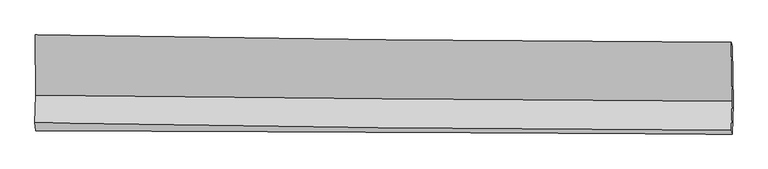
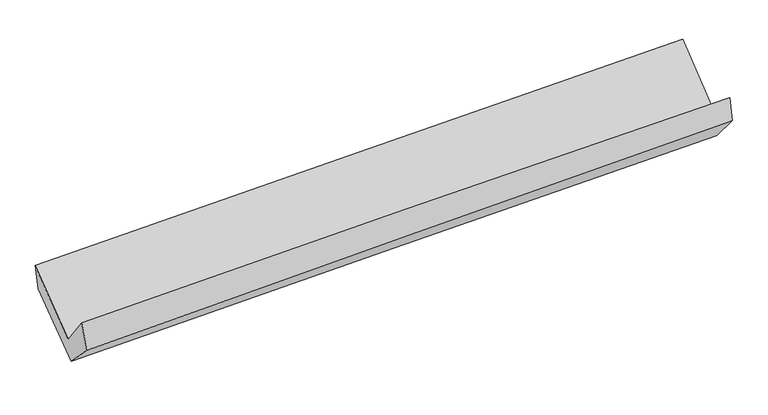
"""IFC4 building model written with IfcOpenShell, lengths in millimetres: proxy geometry."""

import ifcopenshell
import ifcopenshell.guid

model = None  # the IFC model being written
_history = None  # IfcOwnerHistory: only IFC2X3 demands one
_inside = {}  # id of a spatial element -> (the spatial element, [elements in it])
_under = {}  # id of a project, library or spatial element -> (it, [spatial elements below it])
_declared = {}  # id of a project -> (the project, [libraries it declares])
_typed = {}  # id of a type object -> (the type object, [elements of that type])
_made_of = {}  # id of a material, layer set ... -> (it, [elements and type objects made of it])


def new_model(schema):
    """Start an empty IFC model of exactly this schema.

    Asked for "IFC4X3", IfcOpenShell would pick the latest addendum, in which some entities
    have other attributes; the version numbers below select the first issue.
    IFC2X3 requires an IfcOwnerHistory on every rooted entity: one is made here for all.
    """
    global model, _history
    if schema == "IFC4X3":
        model = ifcopenshell.file(schema_version=(4, 3, 0, 0))
    else:
        model = ifcopenshell.file(schema=schema)
    _inside.clear()
    _under.clear()
    _declared.clear()
    _typed.clear()
    _made_of.clear()
    _history = None
    if model.schema == "IFC2X3":
        org = make("IfcOrganization", Name="unknown")
        user = make(
            "IfcPersonAndOrganization",
            ThePerson=make("IfcPerson", FamilyName="unknown"),
            TheOrganization=org,
        )
        app = make(
            "IfcApplication",
            ApplicationDeveloper=org,
            Version="unknown",
            ApplicationFullName="unknown",
            ApplicationIdentifier="unknown",
        )
        _history = make(
            "IfcOwnerHistory",
            OwningUser=user,
            OwningApplication=app,
            ChangeAction="ADDED",
            CreationDate=0,
        )
    return model


def make(cls, **values):
    """One entity of the class cls with the attributes given. An attribute that is None is left unset."""
    return model.create_entity(
        cls, **{name: value for name, value in values.items() if value is not None}
    )


def rooted(cls, **values):
    """An entity with a GlobalId (a new one), such as an element, a storey or a relation."""
    return make(cls, GlobalId=ifcopenshell.guid.new(), OwnerHistory=_history, **values)


def si_unit(unit_type, name, prefix=None):
    """IfcSIUnit, for example si_unit("LENGTHUNIT", "METRE", prefix="MILLI")."""
    return make("IfcSIUnit", UnitType=unit_type, Prefix=prefix, Name=name)


def assignment(units):
    """IfcUnitAssignment: the units of a project."""
    return None if units is None else make("IfcUnitAssignment", Units=units)


def point(xyz):
    """IfcCartesianPoint."""
    return None if xyz is None else make("IfcCartesianPoint", Coordinates=xyz)


def direction(xyz):
    """IfcDirection."""
    return None if xyz is None else make("IfcDirection", DirectionRatios=xyz)


def frame(location, z_axis=None, x_axis=None):
    """IfcAxis2Placement3D, a coordinate frame: its origin and axes. An axis left out is left unset."""
    return make(
        "IfcAxis2Placement3D",
        Location=point(location),
        Axis=direction(z_axis),
        RefDirection=direction(x_axis),
    )


def origin():
    """The frame at (0, 0, 0) with its axes left unset."""
    return frame((0.0, 0.0, 0.0))


def place(relative_to, where):
    """IfcLocalPlacement: puts the frame where relative to a parent placement (None: the world)."""
    return make(
        "IfcLocalPlacement", PlacementRelTo=relative_to, RelativePlacement=where
    )


def context(
    kind, dimensions, precision=None, world=None, true_north=None, identifier=None
):
    """IfcGeometricRepresentationContext, for example the 3D "Model" context."""
    return make(
        "IfcGeometricRepresentationContext",
        ContextIdentifier=identifier,
        ContextType=kind,
        CoordinateSpaceDimension=dimensions,
        Precision=precision,
        WorldCoordinateSystem=world,
        TrueNorth=true_north,
    )


def project(units=None, contexts=None):
    """IfcProject with its units and contexts."""
    return rooted(
        "IfcProject",
        Name="project",
        RepresentationContexts=contexts,
        UnitsInContext=assignment(units),
    )


def spatial(cls, under=None, at=None, **own):
    """A site, building, storey or space (cls), placed at a placement, below another one or the project."""
    s = rooted(cls, ObjectPlacement=at, **own)
    if under is not None:
        _under.setdefault(under.id(), (under, []))[1].append(s)
    return s


def shape(context_of_items, identifier, shape_type, items):
    """IfcShapeRepresentation: the items that make up one representation, for example the "Body"."""
    return make(
        "IfcShapeRepresentation",
        ContextOfItems=context_of_items,
        RepresentationIdentifier=identifier,
        RepresentationType=shape_type,
        Items=items,
    )


def source(mapping_origin, context_of_items, identifier, shape_type, items):
    """IfcRepresentationMap: a shape defined once, which mapped items show again and again."""
    return make(
        "IfcRepresentationMap",
        MappingOrigin=mapping_origin,
        MappedRepresentation=shape(context_of_items, identifier, shape_type, items),
    )


def transform(
    local_origin,
    x_axis=None,
    y_axis=None,
    z_axis=None,
    scale=None,
    scale2=None,
    scale3=None,
    uniform=True,
):
    """IfcCartesianTransformationOperator3D, or its non-uniform kind. x_axis, y_axis, z_axis: its Axis1, 2, 3."""
    if uniform:
        return make(
            "IfcCartesianTransformationOperator3D",
            Axis1=direction(x_axis),
            Axis2=direction(y_axis),
            LocalOrigin=point(local_origin),
            Scale=scale,
            Axis3=direction(z_axis),
        )
    return make(
        "IfcCartesianTransformationOperator3DnonUniform",
        Axis1=direction(x_axis),
        Axis2=direction(y_axis),
        LocalOrigin=point(local_origin),
        Scale=scale,
        Axis3=direction(z_axis),
        Scale2=scale2,
        Scale3=scale3,
    )


def mapped(mapping_source, mapping_target):
    """IfcMappedItem: shows the shape of a source again, moved by a transform."""
    return make(
        "IfcMappedItem", MappingSource=mapping_source, MappingTarget=mapping_target
    )


def made_of(thing, what):
    """Note that an element or type object is made of a material, layer set ...; save() writes the relation."""
    if what is not None:
        _made_of.setdefault(what.id(), (what, []))[1].append(thing)
    return thing


def element(
    cls,
    number,
    at=None,
    inside=None,
    cuts=None,
    type_object=None,
    material=None,
    context=None,
    identifier="Body",
    shape_type=None,
    held_by="IfcProductDefinitionShape",
    body=None,
    shapes=None,
    **own,
):
    """One element of the class cls, such as IfcWall. Its Tag is "e" and its number.

    at: its placement. inside: the storey or other place that contains it. cuts: it is an
    opening in that element (IfcRelVoidsElement). A single representation is given by context,
    identifier, shape_type and body (its items); several are given by shapes. held_by: the class
    of the entity that holds the representations. save() writes the other relations.
    """
    e = rooted(cls, Tag="e%d" % number, ObjectPlacement=at, **own)
    if body is not None:
        shapes = [shape(context, identifier, shape_type, body)]
    if shapes is not None:
        e.Representation = make(held_by, Representations=shapes)
    if inside is not None:
        _inside.setdefault(inside.id(), (inside, []))[1].append(e)
    if cuts is not None:
        rooted(
            "IfcRelVoidsElement", RelatingBuildingElement=cuts, RelatedOpeningElement=e
        )
    if type_object is not None:
        _typed.setdefault(type_object.id(), (type_object, []))[1].append(e)
    return made_of(e, material)


def aggregate(whole, parts):
    """IfcRelAggregates: a whole, such as a stair, and the parts it consists of."""
    return rooted("IfcRelAggregates", RelatingObject=whole, RelatedObjects=parts)


def save(model, path):
    """Write the relations noted so far, then the file.

    IfcRelAggregates (storeys below a building ...), IfcRelContainedInSpatialStructure (elements
    in a storey), IfcRelDefinesByType, IfcRelAssociatesMaterial and IfcRelDeclares: one each for
    every whole, place, type object, material and project.
    """
    for whole, parts in _under.values():
        aggregate(whole, parts)
    for where, things in _inside.values():
        rooted(
            "IfcRelContainedInSpatialStructure",
            RelatedElements=things,
            RelatingStructure=where,
        )
    for kind, things in _typed.values():
        rooted("IfcRelDefinesByType", RelatedObjects=things, RelatingType=kind)
    for what, things in _made_of.values():
        rooted("IfcRelAssociatesMaterial", RelatedObjects=things, RelatingMaterial=what)
    for by, libraries in _declared.values():
        rooted("IfcRelDeclares", RelatingContext=by, RelatedDefinitions=libraries)
    model.write(path)


def plane_surface(at):
    """IfcPlane: the flat surface through the origin of the frame at, square to its z axis."""
    return make("IfcPlane", Position=at)


def spline_curve(degree, points, multiplicities, knots, weights=None):
    """IfcBSplineCurveWithKnots; with weights, IfcRationalBSplineCurveWithKnots."""
    own = dict(
        Degree=degree,
        ControlPointsList=[point(p) for p in points],
        CurveForm="UNSPECIFIED",
        ClosedCurve=False,
        SelfIntersect=False,
        KnotMultiplicities=multiplicities,
        Knots=knots,
        KnotSpec="UNSPECIFIED",
    )
    if weights is None:
        return make("IfcBSplineCurveWithKnots", **own)
    return make("IfcRationalBSplineCurveWithKnots", WeightsData=weights, **own)


def spline_surface(u_degree, v_degree, points, u_multiplicities, v_multiplicities, u_knots, v_knots, weights=None):
    """IfcBSplineSurfaceWithKnots; with weights, IfcRationalBSplineSurfaceWithKnots. points: one row for each step in u."""
    own = dict(
        UDegree=u_degree,
        VDegree=v_degree,
        ControlPointsList=[[point(p) for p in row] for row in points],
        SurfaceForm="UNSPECIFIED",
        UClosed=False,
        VClosed=False,
        SelfIntersect=False,
        UMultiplicities=u_multiplicities,
        VMultiplicities=v_multiplicities,
        UKnots=u_knots,
        VKnots=v_knots,
        KnotSpec="UNSPECIFIED",
    )
    if weights is None:
        return make("IfcBSplineSurfaceWithKnots", **own)
    return make("IfcRationalBSplineSurfaceWithKnots", WeightsData=weights, **own)


def advanced_brep(points, edges, surfaces, faces):
    """IfcAdvancedBrep: a solid bounded by faces that lie on surfaces and meet in shared edges.

    An edge is (start, end): straight between two places in points (the first is 0);
    or (start, end, curve); or (start, end, curve, False) where it runs against its curve.
    A face is (place in surfaces, loops), or (place, loops, False) where it looks against
    its surface's normal. A loop lists edges by number (the first is 1), with a minus sign
    where the edge is run from its end to its start. The first loop is the outer one.
    """
    corners = [point(p) for p in points]
    vertices = [make("IfcVertexPoint", VertexGeometry=c) for c in corners]
    made = []
    for start, end, *more in edges:
        made.append(
            make(
                "IfcEdgeCurve",
                EdgeStart=vertices[start],
                EdgeEnd=vertices[end],
                EdgeGeometry=more[0] if more else make("IfcPolyline", Points=[corners[start], corners[end]]),
                SameSense=more[1] if len(more) > 1 else True,
            )
        )
    hull = []
    for where, loops, *sense in faces:
        bounds = []
        for j, loop in enumerate(loops):
            ring = [make("IfcOrientedEdge", EdgeElement=made[abs(k) - 1], Orientation=k > 0) for k in loop]
            bounds.append(
                make(
                    "IfcFaceOuterBound" if j == 0 else "IfcFaceBound",
                    Bound=make("IfcEdgeLoop", EdgeList=ring),
                    Orientation=True,
                )
            )
        hull.append(make("IfcAdvancedFace", Bounds=bounds, FaceSurface=surfaces[where], SameSense=sense[0] if sense else True))
    return make("IfcAdvancedBrep", Outer=make("IfcClosedShell", CfsFaces=hull))


def generic_models_cc929068(model_context):
    return source(origin(), model_context, "Body", "AdvancedBrep", [
        advanced_brep(
        [(-3021.5167453, -1171.291435, 2162.0217275), (-3014.6943801, -1693.9741392, 1746.703709), (3005.6497298, -1744.3948248, 1906.4279346), (2996.9777721, -1234.9964555, 2332.8804489), (-3023.8632786, -1931.0924689, 2056.1474021), (2996.3597649, -1996.5412579, 2216.8081415), (-3018.6182026, -2001.5600608, 1824.5687128), (3001.6108176, -2028.4224104, 2009.3531062), (-3010.0645408, -1733.8797083, 1548.1909439), (3011.020866, -1767.217533, 1696.0254497), (-3016.6970236, -1213.4513432, 1955.2038935), (3002.9525944, -1274.2118822, 2096.2915092)],
        [
            (0, 1),
            (1, 2, spline_curve(3, [(-3014.6943801, -1693.9741392, 1746.703709), (-2011.106395284, -1706.111817319, 1775.739285598), (-1007.462061077, -1716.383101862, 1803.571166172), (999.319378596, -1733.187692118, 1856.811088122), (2002.456414009, -1739.723302839, 1882.220616398), (3005.6497298, -1744.3948248, 1906.4279346)], [4, 2, 4], [0.0, 9.881652675391132, 19.757202019352793])),
            (2, 3),
            (3, 0, spline_curve(3, [(2996.9777721, -1234.9964555, 2332.8804489), (1994.007552211, -1230.063408583, 2310.78736171), (991.136136263, -1222.290650832, 2285.507974139), (-1015.028824703, -1201.059155202, 2228.559006969), (-2018.322248223, -1187.596906003, 2196.885487036), (-3021.5167453, -1171.291435, 2162.0217275)], [4, 2, 4], [0.0, 9.87554934396166, 19.757202019352793])),
            (1, 4),
            (4, 5, spline_curve(3, [(-3023.8632786, -1931.0924689, 2056.1474021), (-2020.491309786, -1947.300857448, 2092.572215408), (-1016.965044821, -1960.859983916, 2124.175664251), (989.77615997, -1982.672975485, 2177.723289988), (1992.990909814, -1990.930111754, 2199.673421235), (2996.3597649, -1996.5412579, 2216.8081415)], [4, 2, 4], [0.0, 9.88287991750786, 19.75965574558902])),
            (5, 2),
            (4, 6),
            (6, 7, spline_curve(3, [(-3018.6182026, -2001.5600608, 1824.5687128), (-2015.044118194, -2005.615651086, 1858.728516046), (-1011.416328546, -2009.882732267, 1891.211356163), (995.326744318, -2018.837110175, 1952.80408281), (1998.44196166, -2023.524145442, 1981.916040707), (3001.6108176, -2028.4224104, 2009.3531062)], [4, 2, 4], [0.0, 9.88317445136644, 19.760244631389465])),
            (7, 5),
            (6, 8),
            (8, 9, spline_curve(3, [(-3010.0645408, -1733.8797083, 1548.1909439), (-2006.469057418, -1742.337730724, 1579.852858231), (-1002.759162183, -1749.34530456, 1608.006080045), (1004.269448147, -1760.456121322, 1657.27991544), (2007.588021628, -1764.561156192, 1678.404862551), (3011.020866, -1767.217533, 1696.0254497)], [4, 2, 4], [0.0, 9.8833901226829, 19.760675840814557])),
            (9, 7),
            (8, 10),
            (10, 11, spline_curve(3, [(-3016.6970236, -1213.4513432, 1955.2038935), (-2013.14822452, -1230.499811515, 1977.908736041), (-1009.581386839, -1244.087919454, 2001.022216575), (996.968508087, -1264.337159016, 2048.051926758), (1999.951543223, -1271.00256436, 2071.967651011), (3002.9525944, -1274.2118822, 2096.2915092)], [4, 2, 4], [0.0, 9.88217570932458, 19.758247764171557])),
            (11, 9),
            (10, 0),
            (3, 11),
        ],
        [
            spline_surface(3, 3, [[(-3021.5167453, -1171.291435, 2162.0217275), (-2018.32224829, -1187.596906057, 2196.885487031), (-1015.028824861, -1201.059155148, 2228.55900681), (991.136136421, -1222.290650886, 2285.507974298), (1994.007552157, -1230.063408606, 2310.787361663), (2996.9777721, -1234.9964555, 2332.8804489)], [(-3019.24262357, -1345.51900307, 2023.582388008), (-2015.916963998, -1360.435209811, 2056.503419898), (-1012.50657023, -1372.833804004, 2086.896393256), (993.863883804, -1392.589664624, 2142.609012271), (1996.823839479, -1399.950040029, 2167.931779853), (2999.868424665, -1404.795911928, 2190.729610797)], [(-3016.96850183, -1519.74657113, 1885.143048492), (-2013.511679696, -1533.273513557, 1916.121352743), (-1009.98431564, -1544.608452942, 1945.233779666), (996.591631146, -1562.888678445, 1999.710050208), (1999.640126808, -1569.836671469, 2025.076198053), (3002.759077235, -1574.595368372, 2048.578772703)], [(-3014.6943801, -1693.9741392, 1746.703709), (-2011.106395404, -1706.111817312, 1775.73928561), (-1007.46206101, -1716.383101797, 1803.571166113), (999.319378529, -1733.187692183, 1856.811088181), (2002.45641413, -1739.723302892, 1882.220616244), (3005.6497298, -1744.3948248, 1906.4279346)]], [4, 4], [4, 2, 4], [0.0, 2.1899187769372856], [0.0, 9.881652675391132, 19.757202019352793]),
            spline_surface(3, 3, [[(-3014.6943801, -1693.9741392, 1746.703709), (-2011.106395404, -1706.111817312, 1775.73928561), (-1007.46206101, -1716.383101797, 1803.571166113), (999.319378529, -1733.187692183, 1856.811088181), (2002.45641413, -1739.723302892, 1882.220616244), (3005.6497298, -1744.3948248, 1906.4279346)], [(-3017.750679623, -1773.013582428, 1849.851606679), (-2014.234700176, -1786.508163981, 1881.350262226), (-1010.629722315, -1797.875395871, 1910.439332104), (996.138305726, -1816.349453264, 1963.781822113), (1999.301246045, -1823.458905832, 1988.038217899), (3002.553074829, -1828.443635818, 2009.888003575)], [(-3020.806979077, -1852.053025672, 1952.999504421), (-2017.363004876, -1866.904510666, 1986.961238906), (-1013.797383643, -1879.367689922, 2017.307498183), (992.9572329, -1899.511214323, 2070.752556133), (1996.146077973, -1907.19450882, 2093.85581953), (2999.456419871, -1912.492446882, 2113.348072525)], [(-3023.8632786, -1931.0924689, 2056.1474021), (-2020.491309647, -1947.300857336, 2092.572215522), (-1016.965044949, -1960.859983996, 2124.175664174), (989.776160097, -1982.672975404, 2177.723290065), (1992.990909888, -1990.93011176, 2199.673421185), (2996.3597649, -1996.5412579, 2216.8081415)]], [4, 4], [4, 2, 4], [0.0, 1.3285393932597176], [0.0, 9.88287991750786, 19.75965574558902]),
            spline_surface(3, 3, [[(-3023.8632786, -1931.0924689, 2056.1474021), (-2020.491309647, -1947.300857336, 2092.572215522), (-1016.965044949, -1960.859983996, 2124.175664174), (989.776160097, -1982.672975404, 2177.723290065), (1992.990909888, -1990.93011176, 2199.673421185), (2996.3597649, -1996.5412579, 2216.8081415)], [(-3022.114919922, -1954.581666204, 1978.954505676), (-2018.675579174, -1966.739121971, 2014.624315674), (-1015.115472863, -1977.200900135, 2046.520894804), (991.62635485, -1994.727686978, 2102.750221028), (1994.807927103, -2001.79478968, 2127.087627661), (2998.110115801, -2007.168308755, 2147.656463044)], [(-3020.366561278, -1978.070863496, 1901.761609224), (-2016.859848735, -1986.177386593, 1936.676415798), (-1013.265900724, -1993.541816226, 1968.866125411), (993.476549657, -2006.782398504, 2027.777151969), (1996.624944316, -2012.659467536, 2054.501834205), (2999.860466699, -2017.795359545, 2078.504784656)], [(-3018.6182026, -2001.5600608, 1824.5687128), (-2015.044118262, -2005.615651228, 1858.72851595), (-1011.416328639, -2009.882732365, 1891.21135604), (995.32674441, -2018.837110078, 1952.804082933), (1998.441961531, -2023.524145456, 1981.91604068), (3001.6108176, -2028.4224104, 2009.3531062)]], [4, 4], [4, 2, 4], [0.0, 0.7642371597884994], [0.0, 9.88317445136644, 19.760244631389465]),
            spline_surface(3, 3, [[(-3018.6182026, -2001.5600608, 1824.5687128), (-2015.044118262, -2005.615651228, 1858.72851595), (-1011.416328639, -2009.882732365, 1891.21135604), (995.32674441, -2018.837110078, 1952.804082933), (1998.441961531, -2023.524145456, 1981.91604068), (3001.6108176, -2028.4224104, 2009.3531062)], [(-3015.766982002, -1912.333276639, 1732.442789822), (-2012.185764687, -1917.856344423, 1765.769963404), (-1008.53060646, -1923.036923031, 1796.809597318), (998.307645643, -1932.710113865, 1854.296027147), (2001.490648227, -1937.203149006, 1880.74564801), (3004.747500397, -1941.35411794, 1904.910554041)], [(-3012.915761398, -1823.106492461, 1640.316866878), (-2009.327411106, -1830.097037599, 1672.811410892), (-1005.644884303, -1836.191113736, 1702.407838614), (1001.288546856, -1846.583117692, 1755.787971378), (2004.539334934, -1850.882152536, 1779.575255318), (3007.884183203, -1854.28582546, 1800.468001859)], [(-3010.0645408, -1733.8797083, 1548.1909439), (-2006.46905753, -1742.337730794, 1579.852858347), (-1002.759162125, -1749.345304402, 1608.006079892), (1004.269448089, -1760.45612148, 1657.279915593), (2007.588021631, -1764.561156086, 1678.404862648), (3011.020866, -1767.217533, 1696.0254497)]], [4, 4], [4, 2, 4], [0.0, 1.2754266850375175], [0.0, 9.8833901226829, 19.760675840814557]),
            spline_surface(3, 3, [[(-3010.0645408, -1733.8797083, 1548.1909439), (-2006.46905753, -1742.337730794, 1579.852858347), (-1002.759162125, -1749.345304402, 1608.006079892), (1004.269448089, -1760.45612148, 1657.279915593), (2007.588021631, -1764.561156086, 1678.404862648), (3011.020866, -1767.217533, 1696.0254497)], [(-3012.275368398, -1560.403586608, 1683.861927101), (-2008.695446483, -1571.725091007, 1712.538150895), (-1005.033237017, -1580.926176043, 1739.011458858), (1001.835801443, -1595.083134017, 1787.537252615), (2005.04252884, -1600.041625441, 1809.5924588), (3008.33144215, -1602.882316045, 1829.447469543)], [(-3014.486196002, -1386.927464892, 1819.532910299), (-2010.921835442, -1401.112451195, 1845.223443441), (-1007.30731196, -1412.507047711, 1870.016837766), (999.402154745, -1429.710146581, 1917.79458958), (2002.497035998, -1435.522094861, 1940.780054924), (3005.64201825, -1438.547099155, 1962.869489357)], [(-3016.6970236, -1213.4513432, 1955.2038935), (-2013.148224394, -1230.499811408, 1977.908735989), (-1009.581386851, -1244.087919352, 2001.022216731), (996.968508099, -1264.337159118, 2048.051926602), (1999.951543207, -1271.002564216, 2071.967651076), (3002.9525944, -1274.2118822, 2096.2915092)]], [4, 4], [4, 2, 4], [0.0, 2.0861675188113518], [0.0, 9.88217570932458, 19.758247764171557]),
            spline_surface(3, 3, [[(-3016.6970236, -1213.4513432, 1955.2038935), (-2013.148224394, -1230.499811408, 1977.908735989), (-1009.581386851, -1244.087919352, 2001.022216731), (996.968508099, -1264.337159118, 2048.051926602), (1999.951543207, -1271.002564216, 2071.967651076), (3002.9525944, -1274.2118822, 2096.2915092)], [(-3018.303597485, -1199.39804045, 2024.143171515), (-2014.872899011, -1216.198842942, 2050.900986351), (-1011.397199549, -1229.744997977, 2076.86781342), (995.024384178, -1250.321656401, 2127.203942497), (1997.970212848, -1257.356179028, 2151.574221273), (3000.960986958, -1261.140073316, 2175.154489101)], [(-3019.910171415, -1185.34473775, 2093.082449485), (-2016.597573673, -1201.897874524, 2123.893236669), (-1013.213012163, -1215.402076523, 2152.713410121), (993.080260341, -1236.306153604, 2206.355958403), (1995.988882516, -1243.709793794, 2231.180791466), (2998.969379542, -1248.068264384, 2254.017468999)], [(-3021.5167453, -1171.291435, 2162.0217275), (-2018.32224829, -1187.596906057, 2196.885487031), (-1015.028824861, -1201.059155148, 2228.55900681), (991.136136421, -1222.290650886, 2285.507974298), (1994.007552157, -1230.063408606, 2310.787361663), (2996.9777721, -1234.9964555, 2332.8804489)]], [4, 4], [4, 2, 4], [0.0, 0.7756563522153626], [0.0, 9.880767872328304, 19.75543295971936]),
            plane_surface(frame((3002.4285908, -1674.297394, 2042.9644317), z_axis=(0.9996495413973833, -0.004779779134167484, 0.02603743642200977), x_axis=(-0.012704244707341994, 0.7762832959545192, 0.6302561753671316))),
            plane_surface(frame((-3017.5756952, -1624.2081926, 1882.1393981), z_axis=(-0.999675492889409, 0.006518783242194295, -0.024625482357878724), x_axis=(0.02282862069474632, -0.19969048484607915, -0.9795930605813381))),
        ],
        [
            (0, [[1, 2, 3, 4]]),
            (1, [[5, 6, 7, -2]]),
            (2, [[8, 9, 10, -6]]),
            (3, [[11, 12, 13, -9]]),
            (4, [[14, 15, 16, -12]]),
            (5, [[17, -4, 18, -15]]),
            (6, [[-16, -18, -3, -7, -10, -13]]),
            (7, [[-17, -14, -11, -8, -5, -1]]),
        ],
    ),
    ])


if __name__ == "__main__":
    model = new_model("IFC4")
    model_context = context("Model", 3, world=origin())
    ifc_project = project(units=[si_unit("LENGTHUNIT", "METRE", prefix="MILLI")], contexts=[model_context])
    site = spatial("IfcSite", under=ifc_project)
    building = spatial("IfcBuilding", under=site)
    placement = place(None, origin())
    generic_models_shape = generic_models_cc929068(model_context)
    element("IfcBuildingElementProxy", 1, Name="Generic Models", at=placement, inside=building, context=model_context, shape_type="MappedRepresentation", body=[
        mapped(generic_models_shape, transform((0.0, 0.0, 0.0), x_axis=(1.0, 0.0, 0.0), y_axis=(0.0, 1.0, 0.0), z_axis=(0.0, 0.0, 1.0))),
    ])
    save(model, "model.ifc")
